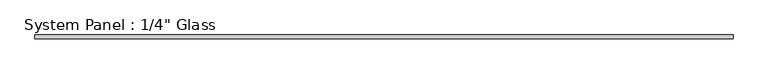
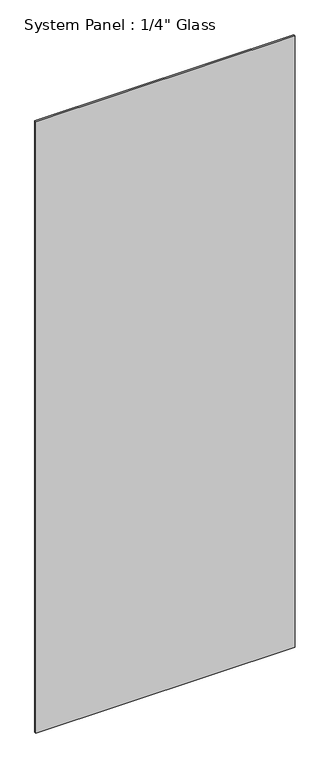
"""IFC4 building model written with IfcOpenShell, lengths in millimetres: plate geometry."""

from ifc_helpers import new_model, si_unit, origin, origin_with_axes, place, context, project, spatial, polyline, outline, extrude, source, transform, mapped, element, save


def plate_3cba4143(model_context):
    return source(origin(), model_context, "Body", "SweptSolid", [
        extrude(outline(polyline([(594.1591185, -3.175), (-594.1591185, -3.175), (-594.1591185, 3.175), (594.1591185, 3.175), (594.1591185, -3.175)])), origin_with_axes(), (0.0, 0.0, 1.0), 2959.1),
    ])


if __name__ == "__main__":
    model = new_model("IFC4")
    model_context = context("Model", 3, world=origin())
    ifc_project = project(units=[si_unit("LENGTHUNIT", "METRE", prefix="MILLI")], contexts=[model_context])
    site = spatial("IfcSite", under=ifc_project)
    building = spatial("IfcBuilding", under=site)
    placement = place(None, origin())
    plate_shape = plate_3cba4143(model_context)
    element("IfcPlate", 1, ObjectType="System Panel : 1/4\" Glass", at=placement, inside=building, context=model_context, shape_type="MappedRepresentation", body=[
        mapped(plate_shape, transform((0.0, 0.0, 0.0), x_axis=(1.0, 0.0, 0.0), y_axis=(0.0, 1.0, 0.0), z_axis=(0.0, 0.0, 1.0))),
    ])
    save(model, "model.ifc")
